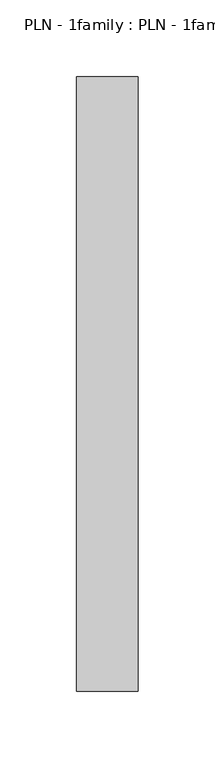
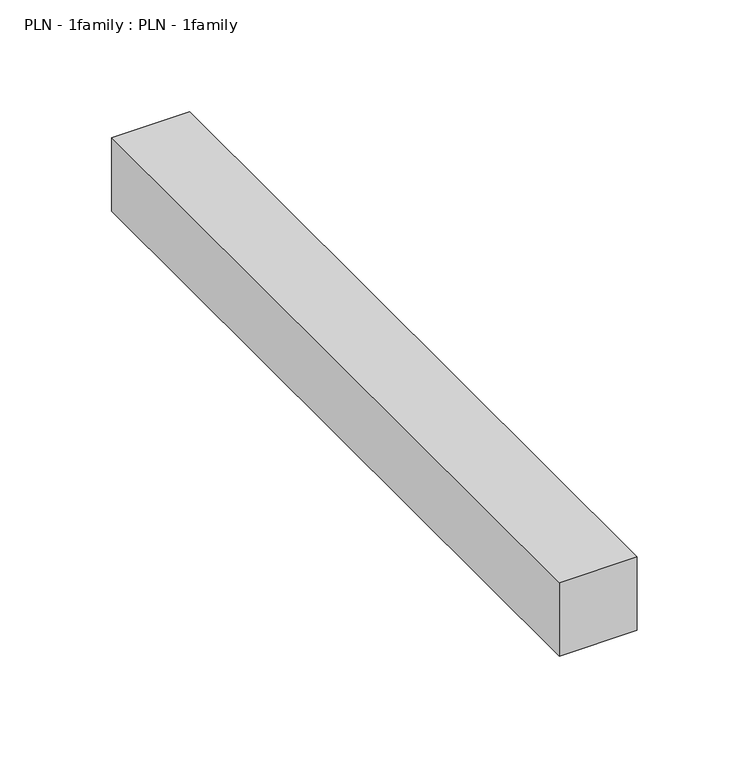
"""IFC4 building model written with IfcOpenShell, lengths in millimetres: proxy geometry, PLN - 1family : PLN - 1family."""

import ifcopenshell
import ifcopenshell.guid

model = None  # the IFC model being written
_history = None  # IfcOwnerHistory: only IFC2X3 demands one
_inside = {}  # id of a spatial element -> (the spatial element, [elements in it])
_under = {}  # id of a project, library or spatial element -> (it, [spatial elements below it])
_declared = {}  # id of a project -> (the project, [libraries it declares])
_typed = {}  # id of a type object -> (the type object, [elements of that type])
_made_of = {}  # id of a material, layer set ... -> (it, [elements and type objects made of it])


def new_model(schema):
    """Start an empty IFC model of exactly this schema.

    Asked for "IFC4X3", IfcOpenShell would pick the latest addendum, in which some entities
    have other attributes; the version numbers below select the first issue.
    IFC2X3 requires an IfcOwnerHistory on every rooted entity: one is made here for all.
    """
    global model, _history
    if schema == "IFC4X3":
        model = ifcopenshell.file(schema_version=(4, 3, 0, 0))
    else:
        model = ifcopenshell.file(schema=schema)
    _inside.clear()
    _under.clear()
    _declared.clear()
    _typed.clear()
    _made_of.clear()
    _history = None
    if model.schema == "IFC2X3":
        org = make("IfcOrganization", Name="unknown")
        user = make(
            "IfcPersonAndOrganization",
            ThePerson=make("IfcPerson", FamilyName="unknown"),
            TheOrganization=org,
        )
        app = make(
            "IfcApplication",
            ApplicationDeveloper=org,
            Version="unknown",
            ApplicationFullName="unknown",
            ApplicationIdentifier="unknown",
        )
        _history = make(
            "IfcOwnerHistory",
            OwningUser=user,
            OwningApplication=app,
            ChangeAction="ADDED",
            CreationDate=0,
        )
    return model


def make(cls, **values):
    """One entity of the class cls with the attributes given. An attribute that is None is left unset."""
    return model.create_entity(
        cls, **{name: value for name, value in values.items() if value is not None}
    )


def rooted(cls, **values):
    """An entity with a GlobalId (a new one), such as an element, a storey or a relation."""
    return make(cls, GlobalId=ifcopenshell.guid.new(), OwnerHistory=_history, **values)


def si_unit(unit_type, name, prefix=None):
    """IfcSIUnit, for example si_unit("LENGTHUNIT", "METRE", prefix="MILLI")."""
    return make("IfcSIUnit", UnitType=unit_type, Prefix=prefix, Name=name)


def assignment(units):
    """IfcUnitAssignment: the units of a project."""
    return None if units is None else make("IfcUnitAssignment", Units=units)


def point(xyz):
    """IfcCartesianPoint."""
    return None if xyz is None else make("IfcCartesianPoint", Coordinates=xyz)


def direction(xyz):
    """IfcDirection."""
    return None if xyz is None else make("IfcDirection", DirectionRatios=xyz)


def frame(location, z_axis=None, x_axis=None):
    """IfcAxis2Placement3D, a coordinate frame: its origin and axes. An axis left out is left unset."""
    return make(
        "IfcAxis2Placement3D",
        Location=point(location),
        Axis=direction(z_axis),
        RefDirection=direction(x_axis),
    )


def origin():
    """The frame at (0, 0, 0) with its axes left unset."""
    return frame((0.0, 0.0, 0.0))


def place(relative_to, where):
    """IfcLocalPlacement: puts the frame where relative to a parent placement (None: the world)."""
    return make(
        "IfcLocalPlacement", PlacementRelTo=relative_to, RelativePlacement=where
    )


def context(
    kind, dimensions, precision=None, world=None, true_north=None, identifier=None
):
    """IfcGeometricRepresentationContext, for example the 3D "Model" context."""
    return make(
        "IfcGeometricRepresentationContext",
        ContextIdentifier=identifier,
        ContextType=kind,
        CoordinateSpaceDimension=dimensions,
        Precision=precision,
        WorldCoordinateSystem=world,
        TrueNorth=true_north,
    )


def project(units=None, contexts=None):
    """IfcProject with its units and contexts."""
    return rooted(
        "IfcProject",
        Name="project",
        RepresentationContexts=contexts,
        UnitsInContext=assignment(units),
    )


def spatial(cls, under=None, at=None, **own):
    """A site, building, storey or space (cls), placed at a placement, below another one or the project."""
    s = rooted(cls, ObjectPlacement=at, **own)
    if under is not None:
        _under.setdefault(under.id(), (under, []))[1].append(s)
    return s


def polyline(points):
    """IfcPolyline through the points."""
    return make("IfcPolyline", Points=[point(p) for p in points])


def outline(outer, holes=None, kind="AREA"):
    """IfcArbitraryClosedProfileDef: a profile drawn as a closed curve; with holes, ...WithVoids."""
    if holes is None:
        return make("IfcArbitraryClosedProfileDef", ProfileType=kind, OuterCurve=outer)
    return make(
        "IfcArbitraryProfileDefWithVoids",
        ProfileType=kind,
        OuterCurve=outer,
        InnerCurves=holes,
    )


def extrude(swept, where, along, depth):
    """IfcExtrudedAreaSolid: the profile swept, set in the frame where, extruded along a direction by depth."""
    return make(
        "IfcExtrudedAreaSolid",
        SweptArea=swept,
        Position=where,
        ExtrudedDirection=direction(along),
        Depth=depth,
    )


def shape(context_of_items, identifier, shape_type, items):
    """IfcShapeRepresentation: the items that make up one representation, for example the "Body"."""
    return make(
        "IfcShapeRepresentation",
        ContextOfItems=context_of_items,
        RepresentationIdentifier=identifier,
        RepresentationType=shape_type,
        Items=items,
    )


def source(mapping_origin, context_of_items, identifier, shape_type, items):
    """IfcRepresentationMap: a shape defined once, which mapped items show again and again."""
    return make(
        "IfcRepresentationMap",
        MappingOrigin=mapping_origin,
        MappedRepresentation=shape(context_of_items, identifier, shape_type, items),
    )


def transform(
    local_origin,
    x_axis=None,
    y_axis=None,
    z_axis=None,
    scale=None,
    scale2=None,
    scale3=None,
    uniform=True,
):
    """IfcCartesianTransformationOperator3D, or its non-uniform kind. x_axis, y_axis, z_axis: its Axis1, 2, 3."""
    if uniform:
        return make(
            "IfcCartesianTransformationOperator3D",
            Axis1=direction(x_axis),
            Axis2=direction(y_axis),
            LocalOrigin=point(local_origin),
            Scale=scale,
            Axis3=direction(z_axis),
        )
    return make(
        "IfcCartesianTransformationOperator3DnonUniform",
        Axis1=direction(x_axis),
        Axis2=direction(y_axis),
        LocalOrigin=point(local_origin),
        Scale=scale,
        Axis3=direction(z_axis),
        Scale2=scale2,
        Scale3=scale3,
    )


def mapped(mapping_source, mapping_target):
    """IfcMappedItem: shows the shape of a source again, moved by a transform."""
    return make(
        "IfcMappedItem", MappingSource=mapping_source, MappingTarget=mapping_target
    )


def made_of(thing, what):
    """Note that an element or type object is made of a material, layer set ...; save() writes the relation."""
    if what is not None:
        _made_of.setdefault(what.id(), (what, []))[1].append(thing)
    return thing


def element(
    cls,
    number,
    at=None,
    inside=None,
    cuts=None,
    type_object=None,
    material=None,
    context=None,
    identifier="Body",
    shape_type=None,
    held_by="IfcProductDefinitionShape",
    body=None,
    shapes=None,
    **own,
):
    """One element of the class cls, such as IfcWall. Its Tag is "e" and its number.

    at: its placement. inside: the storey or other place that contains it. cuts: it is an
    opening in that element (IfcRelVoidsElement). A single representation is given by context,
    identifier, shape_type and body (its items); several are given by shapes. held_by: the class
    of the entity that holds the representations. save() writes the other relations.
    """
    e = rooted(cls, Tag="e%d" % number, ObjectPlacement=at, **own)
    if body is not None:
        shapes = [shape(context, identifier, shape_type, body)]
    if shapes is not None:
        e.Representation = make(held_by, Representations=shapes)
    if inside is not None:
        _inside.setdefault(inside.id(), (inside, []))[1].append(e)
    if cuts is not None:
        rooted(
            "IfcRelVoidsElement", RelatingBuildingElement=cuts, RelatedOpeningElement=e
        )
    if type_object is not None:
        _typed.setdefault(type_object.id(), (type_object, []))[1].append(e)
    return made_of(e, material)


def aggregate(whole, parts):
    """IfcRelAggregates: a whole, such as a stair, and the parts it consists of."""
    return rooted("IfcRelAggregates", RelatingObject=whole, RelatedObjects=parts)


def save(model, path):
    """Write the relations noted so far, then the file.

    IfcRelAggregates (storeys below a building ...), IfcRelContainedInSpatialStructure (elements
    in a storey), IfcRelDefinesByType, IfcRelAssociatesMaterial and IfcRelDeclares: one each for
    every whole, place, type object, material and project.
    """
    for whole, parts in _under.values():
        aggregate(whole, parts)
    for where, things in _inside.values():
        rooted(
            "IfcRelContainedInSpatialStructure",
            RelatedElements=things,
            RelatingStructure=where,
        )
    for kind, things in _typed.values():
        rooted("IfcRelDefinesByType", RelatedObjects=things, RelatingType=kind)
    for what, things in _made_of.values():
        rooted("IfcRelAssociatesMaterial", RelatedObjects=things, RelatingMaterial=what)
    for by, libraries in _declared.values():
        rooted("IfcRelDeclares", RelatingContext=by, RelatedDefinitions=libraries)
    model.write(path)


def pln_1family_pln_1family_1b5eb808(model_context):
    return source(origin(), model_context, "Body", "SweptSolid", [
        extrude(outline(polyline([(0.0, -400.0), (0.0, 0.0), (40.0, 0.0), (40.0, -400.0), (0.0, -400.0)])), frame((0.0, 0.0, 350.0), z_axis=(0.0, 0.0, 1.0), x_axis=(1.0, 0.0, 0.0)), (0.0, 0.0, 1.0), 40.0),
    ])


if __name__ == "__main__":
    model = new_model("IFC4")
    model_context = context("Model", 3, world=origin())
    ifc_project = project(units=[si_unit("LENGTHUNIT", "METRE", prefix="MILLI")], contexts=[model_context])
    site = spatial("IfcSite", under=ifc_project)
    building = spatial("IfcBuilding", under=site)
    placement = place(None, origin())
    pln_1family_pln_1family_shape = pln_1family_pln_1family_1b5eb808(model_context)
    element("IfcBuildingElementProxy", 1, Name="PLN - 1family : PLN - 1family", ObjectType="PLN - 1family : PLN - 1family", at=placement, inside=building, context=model_context, shape_type="MappedRepresentation", body=[
        mapped(pln_1family_pln_1family_shape, transform((0.0, 0.0, 0.0), x_axis=(1.0, 0.0, 0.0), y_axis=(0.0, 1.0, 0.0), z_axis=(0.0, 0.0, 1.0))),
    ])
    save(model, "model.ifc")
